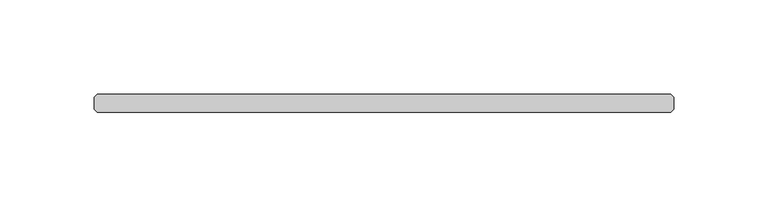
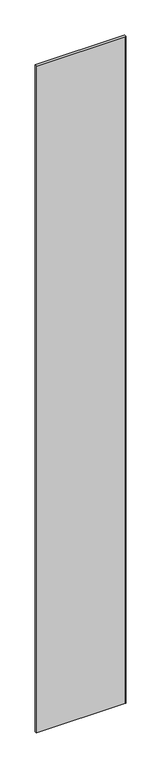
"""IFC4 building model written with IfcOpenShell, lengths in millimetres: plate geometry."""

from ifc_helpers import new_model, si_unit, origin, origin_with_axes, place, context, project, spatial, polyline, outline, extrude, source, transform, mapped, element, save


def plate_8acd9490(model_context):
    return source(origin(), model_context, "Body", "SweptSolid", [
        extrude(outline(polyline([(152.4, -34.925), (-152.4, -34.925), (-153.9875, -33.3375), (-153.9875, -26.9875), (-152.4, -25.4), (152.4, -25.4), (153.9875, -26.9875), (153.9875, -33.3375), (152.4, -34.925)])), origin_with_axes(), (0.0, 0.0, 1.0), 2417.075),
    ])


if __name__ == "__main__":
    model = new_model("IFC4")
    model_context = context("Model", 3, world=origin())
    ifc_project = project(units=[si_unit("LENGTHUNIT", "METRE", prefix="MILLI")], contexts=[model_context])
    site = spatial("IfcSite", under=ifc_project)
    building = spatial("IfcBuilding", under=site)
    placement = place(None, origin())
    plate_shape = plate_8acd9490(model_context)
    element("IfcPlate", 1, at=placement, inside=building, context=model_context, shape_type="MappedRepresentation", body=[
        mapped(plate_shape, transform((0.0, 0.0, 0.0), x_axis=(1.0, 0.0, 0.0), y_axis=(0.0, 1.0, 0.0), z_axis=(0.0, 0.0, 1.0))),
    ])
    save(model, "model.ifc")
